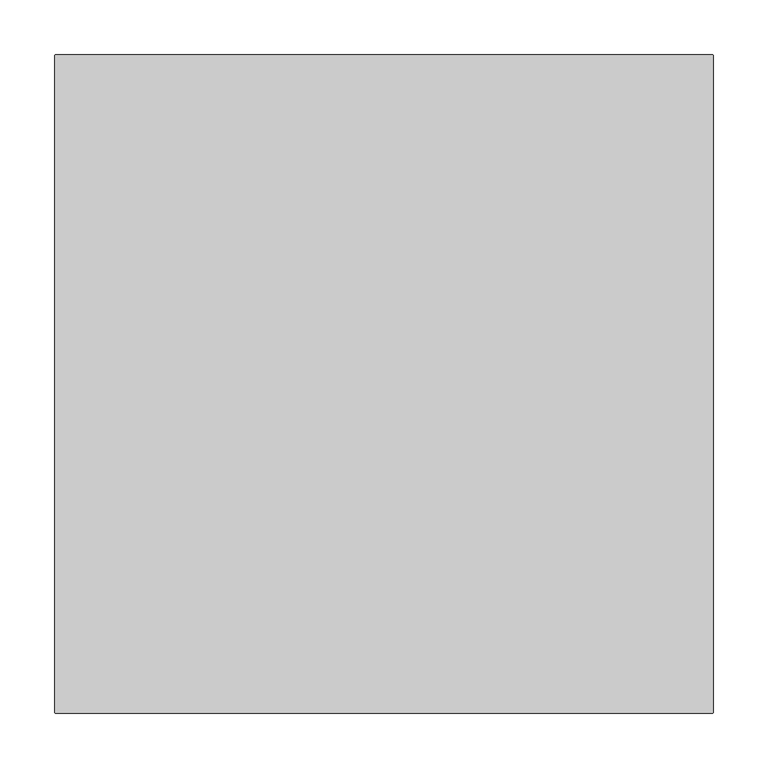
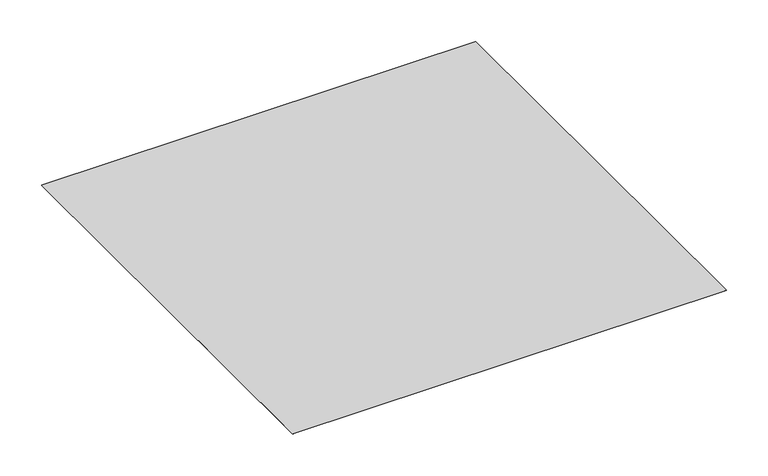
"""IFC4 building model written with IfcOpenShell, lengths in millimetres: proxy geometry."""

from ifc_helpers import new_model, si_unit, origin, origin_with_axes, place, context, project, spatial, polyline, outline, extrude, source, transform, mapped, element, save


def generic_models_6c6c500f(model_context):
    return source(origin(), model_context, "Body", "SweptSolid", [
        extrude(outline(polyline([(-301.5, 300.9549776), (-300.9549776, 301.5), (300.9549776, 301.5), (301.5, 300.9549776), (301.5, -300.9549776), (300.9549776, -301.5), (-300.9549776, -301.5), (-301.5, -300.9549776), (-301.5, 300.9549776)])), origin_with_axes(), (0.0, 0.0, 1.0), 0.2),
    ])


if __name__ == "__main__":
    model = new_model("IFC4")
    model_context = context("Model", 3, world=origin())
    ifc_project = project(units=[si_unit("LENGTHUNIT", "METRE", prefix="MILLI")], contexts=[model_context])
    site = spatial("IfcSite", under=ifc_project)
    building = spatial("IfcBuilding", under=site)
    placement = place(None, origin())
    generic_models_shape = generic_models_6c6c500f(model_context)
    element("IfcBuildingElementProxy", 1, Name="Generic Models", at=placement, inside=building, context=model_context, shape_type="MappedRepresentation", body=[
        mapped(generic_models_shape, transform((0.0, 0.0, 0.0), x_axis=(1.0, 0.0, 0.0), y_axis=(0.0, 1.0, 0.0), z_axis=(0.0, 0.0, 1.0))),
    ])
    save(model, "model.ifc")
